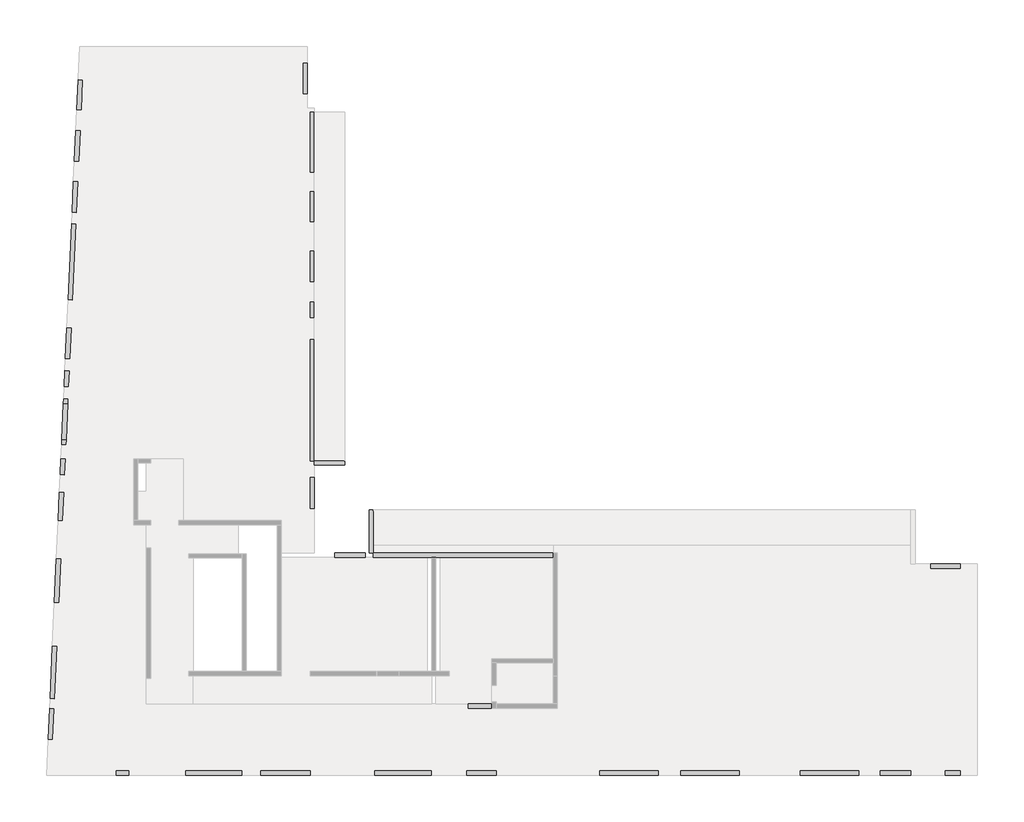
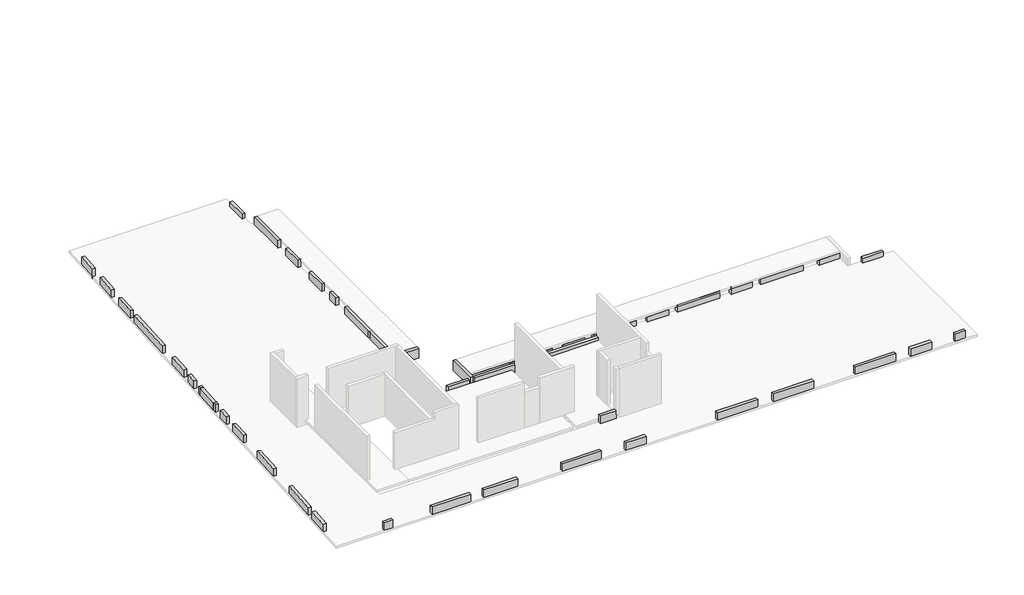
# One storey, part 2 of 3: 44 beams.
"""IFC4 building model written with IfcOpenShell, lengths in millimetres."""

from ifc_helpers import new_model, si_unit, frame, origin, place, context, project, spatial, polyline, outline, extrude, faceted_brep, element, save

model = new_model("IFC4")

# Units and contexts
model_context = context("Model", 3, world=origin())
ifc_project = project(units=[si_unit("LENGTHUNIT", "METRE", prefix="MILLI")], contexts=[model_context])

# Site, building, storey
site = spatial("IfcSite", under=ifc_project)
building = spatial("IfcBuilding", under=site)
storey = spatial("IfcBuildingStorey", under=building, Elevation=22410.0)

# Beams
placement = place(None, origin())
element("IfcBeam", 1, ObjectType="VI 20/70", at=placement, inside=storey, context=model_context, shape_type="Brep", body=[
    faceted_brep([(-26295.6912908, -3999.0672499, 22960.0), (-26295.6912908, -3999.0672499, 22810.0), (-26295.6912908, -3999.0672499, 22260.0), (-26495.6912908, -3999.0672499, 22260.0), (-26495.6912908, -3999.0672499, 22960.0), (-26295.6912908, -6004.0672499, 22960.0), (-26495.6912908, -6004.0672499, 22960.0), (-26495.6912908, -6004.0672499, 22260.0), (-26295.6912908, -6004.0672499, 22260.0), (-26295.6912908, -6004.0672499, 22460.0), (-26295.6912908, -5619.0672499, 22260.0), (-26295.6912908, -5419.0672499, 22260.0)], [[[0, 1, 2, 3, 4]], [[5, 6, 7, 8, 9]], [[2, 1, 0, 5, 9, 8, 10, 11]], [[3, 2, 11, 10, 8, 7]], [[4, 3, 7, 6]], [[0, 4, 6, 5]]]),
])
element("IfcBeam", 2, ObjectType="VI 20/70", at=placement, inside=storey, context=model_context, shape_type="Brep", body=[
    faceted_brep([(-27635.6912908, -1689.5482142, 22260.0), (-27635.6912908, -1689.5482142, 22810.0), (-27635.6912908, -1689.5482142, 22960.0), (-27635.6912908, -1889.5482142, 22960.0), (-27635.6912908, -1889.5482142, 22260.0), (-29065.6912908, -1889.5482142, 22960.0), (-29065.6912908, -1689.5482142, 22960.0), (-29065.6912908, -1689.5482142, 22945.0), (-29065.6912908, -1689.5482142, 22795.0), (-29065.6912908, -1689.5482142, 22410.0), (-29065.6912908, -1689.5482142, 22260.0), (-29065.6912908, -1889.5482142, 22260.0), (-29065.6912908, -1889.5482142, 22410.0)], [[[0, 1, 2, 3, 4]], [[5, 6, 7, 8, 9, 10, 11, 12]], [[2, 1, 0, 10, 9, 8, 7, 6]], [[0, 4, 11, 10]], [[4, 3, 5, 12, 11]], [[3, 2, 6, 5]]]),
])
element("IfcBeam", 3, ObjectType="VI 20/70", at=placement, inside=storey, context=model_context, shape_type="SweptSolid", body=[
    extrude(outline(polyline([(-41467.4470985, -13297.689544), (-41267.6525789, -13306.7532049), (-41332.9109371, -14745.2737458), (-41532.7054566, -14736.2100849), (-41467.4470985, -13297.689544)])), frame((0.0, 0.0, 22410.0), z_axis=(0.0, 0.0, 1.0), x_axis=(1.0, 0.0, 0.0)), (0.0, 0.0, 1.0), 550.0),
])
element("IfcBeam", 4, ObjectType="VI 20/70", at=placement, inside=storey, context=model_context, shape_type="SweptSolid", body=[
    extrude(outline(polyline([(-41246.1263843, -12832.2412209), (-41445.9209039, -12823.17756), (-41334.8458454, -10374.6980441), (-41135.0513258, -10383.7617049), (-41246.1263843, -12832.2412209)])), frame((0.0, 0.0, 22410.0), z_axis=(0.0, 0.0, 1.0), x_axis=(1.0, 0.0, 0.0)), (0.0, 0.0, 1.0), 550.0),
])
element("IfcBeam", 5, ObjectType="VI 20/70", at=placement, inside=storey, context=model_context, shape_type="SweptSolid", body=[
    extrude(outline(polyline([(-41149.2673893, -6283.9052558), (-40949.4728698, -6292.9689167), (-41041.9222105, -8330.8730163), (-41241.7167301, -8321.8093555), (-41149.2673893, -6283.9052558)])), frame((0.0, 0.0, 22410.0), z_axis=(0.0, 0.0, 1.0), x_axis=(1.0, 0.0, 0.0)), (0.0, 0.0, 1.0), 550.0),
])
element("IfcBeam", 6, ObjectType="VI 20/70", at=placement, inside=storey, context=model_context, shape_type="SweptSolid", body=[
    extrude(outline(polyline([(-41007.6476884, -3162.1158875), (-40807.8531689, -3171.1795483), (-40867.446739, -4484.8285145), (-41067.2412586, -4475.7648537), (-41007.6476884, -3162.1158875)])), frame((0.0, 0.0, 22410.0), z_axis=(0.0, 0.0, 1.0), x_axis=(1.0, 0.0, 0.0)), (0.0, 0.0, 1.0), 550.0),
])
element("IfcBeam", 7, ObjectType="VI 20/70", at=placement, inside=storey, context=model_context, shape_type="SweptSolid", body=[
    extrude(outline(polyline([(-40770.2389763, -2342.0322921), (-40970.0334959, -2332.9686312), (-40936.4979507, -1593.7289088), (-40736.7034311, -1602.7925697), (-40770.2389763, -2342.0322921)])), frame((0.0, 0.0, 22410.0), z_axis=(0.0, 0.0, 1.0), x_axis=(1.0, 0.0, 0.0)), (0.0, 0.0, 1.0), 550.0),
    extrude(outline(polyline([(-40896.5921767, -714.0672499), (-40696.3864849, -714.0672499), (-40705.4594674, -914.0672499), (-40905.6651591, -914.0672499), (-40896.5921767, -714.0672499)])), frame((0.0, 0.0, 22410.0), z_axis=(0.0, 0.0, 1.0), x_axis=(1.0, 0.0, 0.0)), (0.0, 0.0, 1.0), 550.0),
])
element("IfcBeam", 8, ObjectType="VI 20/70", at=placement, inside=storey, context=model_context, shape_type="SweptSolid", body=[
    extrude(outline(polyline([(-40895.4580539, -689.0672499), (-40819.9254749, 975.9327501), (-40619.7197831, 975.9327501), (-40695.2523621, -689.0672499), (-40895.4580539, -689.0672499)])), frame((0.0, 0.0, 22410.0), z_axis=(0.0, 0.0, 1.0), x_axis=(1.0, 0.0, 0.0)), (0.0, 0.0, 1.0), 550.0),
])
element("IfcBeam", 9, ObjectType="VI 20/70", at=placement, inside=storey, context=model_context, shape_type="SweptSolid", body=[
    extrude(outline(polyline([(-40748.9268523, 2540.9886267), (-40549.1323327, 2531.9249658), (-40582.6678779, 1792.6852434), (-40782.4623975, 1801.7489043), (-40748.9268523, 2540.9886267)])), frame((0.0, 0.0, 22410.0), z_axis=(0.0, 0.0, 1.0), x_axis=(1.0, 0.0, 0.0)), (0.0, 0.0, 1.0), 550.0),
    extrude(outline(polyline([(-40618.5856603, 1000.9327501), (-40818.7913521, 1000.9327501), (-40809.7183696, 1200.9327501), (-40609.5126779, 1200.9327501), (-40618.5856603, 1000.9327501)])), frame((0.0, 0.0, 22410.0), z_axis=(0.0, 0.0, 1.0), x_axis=(1.0, 0.0, 0.0)), (0.0, 0.0, 1.0), 550.0),
])
element("IfcBeam", 10, ObjectType="VI 20/70", at=placement, inside=storey, context=model_context, shape_type="SweptSolid", body=[
    extrude(outline(polyline([(-40658.0636522, 4543.9286854), (-40458.2691326, 4534.8650246), (-40523.5274908, 3096.3444836), (-40723.3220104, 3105.4081445), (-40658.0636522, 4543.9286854)])), frame((0.0, 0.0, 22410.0), z_axis=(0.0, 0.0, 1.0), x_axis=(1.0, 0.0, 0.0)), (0.0, 0.0, 1.0), 550.0),
])
element("IfcBeam", 11, ObjectType="VI 20/70", at=placement, inside=storey, context=model_context, shape_type="SweptSolid", body=[
    extrude(outline(polyline([(-40436.6837357, 9423.909826), (-40236.8892162, 9414.8461652), (-40398.2223794, 5858.5037168), (-40598.016899, 5867.5673776), (-40436.6837357, 9423.909826)])), frame((0.0, 0.0, 22410.0), z_axis=(0.0, 0.0, 1.0), x_axis=(1.0, 0.0, 0.0)), (0.0, 0.0, 1.0), 550.0),
])
element("IfcBeam", 12, ObjectType="VI 20/70", at=placement, inside=storey, context=model_context, shape_type="SweptSolid", body=[
    extrude(outline(polyline([(-40347.1800848, 11396.8807068), (-40147.3855652, 11387.817046), (-40212.6439234, 9949.296505), (-40412.4384429, 9958.3601659), (-40347.1800848, 11396.8807068)])), frame((0.0, 0.0, 22410.0), z_axis=(0.0, 0.0, 1.0), x_axis=(1.0, 0.0, 0.0)), (0.0, 0.0, 1.0), 550.0),
])
element("IfcBeam", 13, ObjectType="VI 20/70", at=placement, inside=storey, context=model_context, shape_type="SweptSolid", body=[
    extrude(outline(polyline([(-40238.4161545, 13794.4149417), (-40038.6216349, 13785.3512809), (-40103.8799931, 12346.8307399), (-40303.6745126, 12355.8944008), (-40238.4161545, 13794.4149417)])), frame((0.0, 0.0, 22410.0), z_axis=(0.0, 0.0, 1.0), x_axis=(1.0, 0.0, 0.0)), (0.0, 0.0, 1.0), 550.0),
])
element("IfcBeam", 14, ObjectType="VI 20/70", at=placement, inside=storey, context=model_context, shape_type="SweptSolid", body=[
    extrude(outline(polyline([(-40130.7851818, 16166.9748617), (-39930.9906622, 16157.9112008), (-39993.9831052, 14769.3392898), (-40193.7776247, 14778.4029506), (-40130.7851818, 16166.9748617)])), frame((0.0, 0.0, 22260.0), z_axis=(0.0, 0.0, 1.0), x_axis=(1.0, 0.0, 0.0)), (0.0, 0.0, 1.0), 700.0),
])
element("IfcBeam", 15, ObjectType="VI 20/70", at=placement, inside=storey, context=model_context, shape_type="SweptSolid", body=[
    extrude(outline(polyline([(-38350.6912908, -16419.0672499), (-38350.6912908, -16219.0672499), (-37760.6912908, -16219.0672499), (-37760.6912908, -16419.0672499), (-38350.6912908, -16419.0672499)])), frame((0.0, 0.0, 22410.0), z_axis=(0.0, 0.0, 1.0), x_axis=(1.0, 0.0, 0.0)), (0.0, 0.0, 1.0), 550.0),
])
element("IfcBeam", 16, ObjectType="VI 20/70", at=placement, inside=storey, context=model_context, shape_type="SweptSolid", body=[
    extrude(outline(polyline([(-32455.6912908, -16219.0672499), (-32455.6912908, -16419.0672499), (-35095.6912908, -16419.0672499), (-35095.6912908, -16219.0672499), (-32455.6912908, -16219.0672499)])), frame((0.0, 0.0, 22410.0), z_axis=(0.0, 0.0, 1.0), x_axis=(1.0, 0.0, 0.0)), (0.0, 0.0, 1.0), 550.0),
])
element("IfcBeam", 17, ObjectType="VI 20/70", at=placement, inside=storey, context=model_context, shape_type="SweptSolid", body=[
    extrude(outline(polyline([(-23600.6912908, -16219.0672499), (-23600.6912908, -16419.0672499), (-26230.6912908, -16419.0672499), (-26230.6912908, -16219.0672499), (-23600.6912908, -16219.0672499)])), frame((0.0, 0.0, 22410.0), z_axis=(0.0, 0.0, 1.0), x_axis=(1.0, 0.0, 0.0)), (0.0, 0.0, 1.0), 550.0),
])
element("IfcBeam", 18, ObjectType="VI 20/70", at=placement, inside=storey, context=model_context, shape_type="SweptSolid", body=[
    extrude(outline(polyline([(-20540.6912908, -16219.0672499), (-20540.6912908, -16419.0672499), (-21930.6912908, -16419.0672499), (-21930.6912908, -16219.0672499), (-20540.6912908, -16219.0672499)])), frame((0.0, 0.0, 22410.0), z_axis=(0.0, 0.0, 1.0), x_axis=(1.0, 0.0, 0.0)), (0.0, 0.0, 1.0), 550.0),
])
element("IfcBeam", 19, ObjectType="VI 20/70", at=placement, inside=storey, context=model_context, shape_type="SweptSolid", body=[
    extrude(outline(polyline([(-11895.6912908, -16419.0672499), (-11895.6912908, -16219.0672499), (-9155.6912908, -16219.0672499), (-9155.6912908, -16419.0672499), (-11895.6912908, -16419.0672499)])), frame((0.0, 0.0, 22410.0), z_axis=(0.0, 0.0, 1.0), x_axis=(1.0, 0.0, 0.0)), (0.0, 0.0, 1.0), 550.0),
])
element("IfcBeam", 20, ObjectType="VI 20/70", at=placement, inside=storey, context=model_context, shape_type="Brep", body=[
    faceted_brep([(-20750.6912908, -13079.0672499, 22960.0), (-20750.6912908, -13279.0672499, 22960.0), (-20750.6912908, -13279.0672499, 22710.0), (-20750.6912908, -13279.0672499, 22410.0), (-20750.6912908, -13079.0672499, 22410.0), (-20750.6912908, -13079.0672499, 22559.9925002), (-20750.6912908, -13079.0672499, 22710.0), (-21850.6912908, -13279.0672499, 22960.0), (-21850.6912908, -13079.0672499, 22960.0), (-21850.6912908, -13079.0672499, 22410.0), (-21850.6912908, -13279.0672499, 22410.0), (-20790.6912908, -13279.0672499, 22410.0), (-20790.6912908, -13079.0672499, 22410.0)], [[[0, 1, 2, 3, 4, 5, 6]], [[7, 8, 9, 10]], [[1, 7, 10, 11, 3, 2]], [[8, 0, 6, 5, 4, 12, 9]], [[1, 0, 8, 7]], [[4, 3, 11, 10, 9, 12]]]),
])
element("IfcBeam", 21, ObjectType="VI. 20/49", at=placement, inside=storey, context=model_context, shape_type="SweptSolid", body=[
    extrude(outline(polyline([(-29595.6912908, 16950.9327501), (-29395.6912908, 16950.9327501), (-29395.6912908, 15510.9327501), (-29595.6912908, 15510.9327501), (-29595.6912908, 16950.9327501)])), frame((0.0, 0.0, 22410.0), z_axis=(0.0, 0.0, 1.0), x_axis=(1.0, 0.0, 0.0)), (0.0, 0.0, 1.0), 340.0),
])
element("IfcBeam", 22, ObjectType="VI. 20/49", at=placement, inside=storey, context=model_context, shape_type="SweptSolid", body=[
    extrude(outline(polyline([(1189.3087092, -6519.0672499), (1189.3087092, -6719.0672499), (-200.6912908, -6719.0672499), (-200.6912908, -6519.0672499), (1189.3087092, -6519.0672499)])), frame((0.0, 0.0, 22410.0), z_axis=(0.0, 0.0, 1.0), x_axis=(1.0, 0.0, 0.0)), (0.0, 0.0, 1.0), 340.0),
])
element("IfcBeam", 23, ObjectType="VI. 20/68.5", at=placement, inside=storey, context=model_context, shape_type="Brep", body=[
    faceted_brep([(-3615.6912908, -5619.0672499, 22410.0), (-3615.6912908, -5419.0672499, 22410.0), (-3615.6912908, -5419.0672499, 22796.8518519), (-3615.6912908, -5619.0672499, 22795.0), (-6505.6912908, -5419.0672499, 22410.0), (-6505.6912908, -5619.0672499, 22410.0), (-6505.6912908, -5619.0672499, 22795.0), (-6505.6912908, -5419.0672499, 22796.8518519), (-6305.6912908, -5419.0672499, 22410.0)], [[[0, 1, 2, 3]], [[4, 5, 6, 7]], [[5, 0, 3, 6]], [[1, 8, 4, 7, 2]], [[3, 2, 7, 6]], [[1, 0, 5, 4, 8]]]),
])
element("IfcBeam", 24, ObjectType="VI. 20/68.5", at=placement, inside=storey, context=model_context, shape_type="SweptSolid", body=[
    extrude(outline(polyline([(-5419.0672499, 22410.0), (-5619.0672499, 22410.0), (-5619.0672499, 22795.0), (-5419.0672499, 22796.8518519), (-5419.0672499, 22410.0)])), frame((-2545.6912908, 0.0, 0.0), z_axis=(1.0, 0.0, 0.0), x_axis=(0.0, 1.0, 0.0)), (0.0, 0.0, 1.0), 1420.0),
])
element("IfcBeam", 25, ObjectType="VI. 20/68.5", at=placement, inside=storey, context=model_context, shape_type="SweptSolid", body=[
    extrude(outline(polyline([(-7085.6912908, -5419.0672499), (-7085.6912908, -5619.0672499), (-8525.6912908, -5619.0672499), (-8525.6912908, -5419.0672499), (-7085.6912908, -5419.0672499)])), frame((0.0, 0.0, 22410.0), z_axis=(0.0, 0.0, 1.0), x_axis=(1.0, 0.0, 0.0)), (0.0, 0.0, 1.0), 535.0),
])
element("IfcBeam", 26, ObjectType="VI. 20/68.5", at=placement, inside=storey, context=model_context, shape_type="Brep", body=[
    faceted_brep([(-12195.6912908, -5619.0672499, 22945.0), (-12195.6912908, -5419.0672499, 22945.0), (-12195.6912908, -5419.0672499, 22410.0), (-12195.6912908, -5619.0672499, 22410.0), (-9305.6912908, -5619.0672499, 22410.0), (-9305.6912908, -5619.0672499, 22945.0), (-9305.6912908, -5419.0672499, 22945.0), (-9305.6912908, -5419.0672499, 22410.0), (-11995.6912908, -5419.0672499, 22410.0)], [[[0, 1, 2, 3]], [[0, 3, 4, 5]], [[2, 1, 6, 7, 8]], [[1, 0, 5, 6]], [[5, 4, 7, 6]], [[3, 2, 8, 7, 4]]]),
])
element("IfcBeam", 27, ObjectType="VI. 20/68.5", at=placement, inside=storey, context=model_context, shape_type="SweptSolid", body=[
    extrude(outline(polyline([(-5419.0672499, 22410.0), (-5619.0672499, 22410.0), (-5619.0672499, 22795.0), (-5419.0672499, 22796.8518519), (-5419.0672499, 22410.0)])), frame((-14215.6912908, 0.0, 0.0), z_axis=(1.0, 0.0, 0.0), x_axis=(0.0, 1.0, 0.0)), (0.0, 0.0, 1.0), 1440.0),
])
element("IfcBeam", 28, ObjectType="VI. 20/68.5", at=placement, inside=storey, context=model_context, shape_type="Brep", body=[
    faceted_brep([(-14995.6912908, -5619.0672499, 22410.0), (-14995.6912908, -5419.0672499, 22410.0), (-14995.6912908, -5419.0672499, 22796.8518519), (-14995.6912908, -5619.0672499, 22795.0), (-17885.6912908, -5419.0672499, 22410.0), (-17885.6912908, -5619.0672499, 22410.0), (-17885.6912908, -5619.0672499, 22795.0), (-17885.6912908, -5419.0672499, 22796.8518519), (-17685.6912908, -5419.0672499, 22410.0)], [[[0, 1, 2, 3]], [[4, 5, 6, 7]], [[5, 0, 3, 6]], [[1, 8, 4, 7, 2]], [[3, 2, 7, 6]], [[1, 0, 5, 4, 8]]]),
])
element("IfcBeam", 29, ObjectType="VI. 20/68.5", at=placement, inside=storey, context=model_context, shape_type="SweptSolid", body=[
    extrude(outline(polyline([(-5419.0672499, 22260.0), (-5619.0672499, 22260.0), (-5619.0672499, 22795.0), (-5419.0672499, 22796.8518519), (-5419.0672499, 22260.0)])), frame((-19905.6912908, 0.0, 0.0), z_axis=(1.0, 0.0, 0.0), x_axis=(0.0, 1.0, 0.0)), (0.0, 0.0, 1.0), 1440.0),
])
element("IfcBeam", 30, ObjectType="VI. 20/68.5", at=placement, inside=storey, context=model_context, shape_type="Brep", body=[
    faceted_brep([(-20685.6912908, -5619.0672499, 22260.0), (-20685.6912908, -5419.0672499, 22260.0), (-20685.6912908, -5419.0672499, 22796.8518519), (-20685.6912908, -5619.0672499, 22795.0), (-23375.6912908, -5419.0672499, 22260.0), (-23375.6912908, -5619.0672499, 22260.0), (-23375.6912908, -5619.0672499, 22460.0), (-23375.6912908, -5619.0672499, 22795.0), (-23375.6912908, -5419.0672499, 22796.8518519)], [[[0, 1, 2, 3]], [[4, 5, 6, 7, 8]], [[5, 0, 3, 7, 6]], [[1, 0, 5, 4]], [[1, 4, 8, 2]], [[3, 2, 8, 7]]]),
])
element("IfcBeam", 31, ObjectType="VI. 20/68.5", at=placement, inside=storey, context=model_context, shape_type="Brep", body=[
    faceted_brep([(-26295.6912908, -5419.0672499, 22260.0), (-26295.6912908, -5619.0672499, 22260.0), (-26295.6912908, -5619.0672499, 22460.0), (-26295.6912908, -5619.0672499, 22795.0), (-26295.6912908, -5419.0672499, 22796.8518519), (-23575.6912908, -5619.0672499, 22260.0), (-23575.6912908, -5619.0672499, 22460.0), (-23575.6912908, -5619.0672499, 22795.0), (-23575.6912908, -5419.0672499, 22260.0), (-23575.6912908, -5419.0672499, 22796.8518519)], [[[0, 1, 2, 3, 4]], [[1, 5, 6, 7, 3, 2]], [[1, 0, 8, 5]], [[8, 0, 4, 9]], [[5, 8, 9, 7, 6]], [[4, 3, 7, 9]]]),
])
element("IfcBeam", 32, ObjectType="VI. 20/68.5", at=placement, inside=storey, context=model_context, shape_type="Brep", body=[
    faceted_brep([(-29265.6912908, 4000.9327501, 22945.0), (-29065.6912908, 4000.9327501, 22945.0), (-29065.6912908, 4000.9327501, 22410.0), (-29265.6912908, 4000.9327501, 22410.0), (-29065.6912908, -1689.5482142, 22945.0), (-29265.6912908, -1689.5482142, 22945.0), (-29265.6912908, -1689.5482142, 22410.0), (-29065.6912908, -1689.5482142, 22410.0), (-29065.6912908, -1689.5482142, 22795.0), (-29065.6912908, 1200.9327501, 22945.0), (-29065.6912908, 1200.9327501, 22410.0), (-29265.6912908, 1200.9327501, 22410.0), (-29265.6912908, 1200.9327501, 22942.9020979), (-29265.6912908, 1000.9327501, 22942.9020979), (-29265.6912908, 1000.9327501, 22410.0), (-29065.6912908, 1000.9327501, 22945.0), (-29065.6912908, 1000.9327501, 22410.0)], [[[0, 1, 2, 3]], [[4, 5, 6, 7, 8]], [[2, 1, 9, 10]], [[5, 0, 3, 11, 12, 13, 14, 6]], [[1, 0, 5, 4, 15, 9]], [[13, 15, 16, 14]], [[9, 12, 11, 10]], [[15, 13, 12, 9]], [[4, 8, 7, 16, 15]], [[7, 6, 14, 16]], [[3, 2, 10, 11]]]),
])
element("IfcBeam", 33, ObjectType="VI. 20/68.5", at=placement, inside=storey, context=model_context, shape_type="SweptSolid", body=[
    extrude(outline(polyline([(-29265.6912908, 5760.9327501), (-29065.6912908, 5760.9327501), (-29065.6912908, 5020.9327501), (-29265.6912908, 5020.9327501), (-29265.6912908, 5760.9327501)])), frame((0.0, 0.0, 22410.0), z_axis=(0.0, 0.0, 1.0), x_axis=(1.0, 0.0, 0.0)), (0.0, 0.0, 1.0), 535.0),
])
element("IfcBeam", 34, ObjectType="VI. 20/68.5", at=placement, inside=storey, context=model_context, shape_type="SweptSolid", body=[
    extrude(outline(polyline([(-29265.6912908, 8150.9327501), (-29065.6912908, 8150.9327501), (-29065.6912908, 6710.9327501), (-29265.6912908, 6710.9327501), (-29265.6912908, 8150.9327501)])), frame((0.0, 0.0, 22410.0), z_axis=(0.0, 0.0, 1.0), x_axis=(1.0, 0.0, 0.0)), (0.0, 0.0, 1.0), 535.0),
])
element("IfcBeam", 35, ObjectType="VI. 20/68.5", at=placement, inside=storey, context=model_context, shape_type="SweptSolid", body=[
    extrude(outline(polyline([(-29265.6912908, 10925.9327501), (-29065.6912908, 10925.9327501), (-29065.6912908, 9535.9327501), (-29265.6912908, 9535.9327501), (-29265.6912908, 10925.9327501)])), frame((0.0, 0.0, 22410.0), z_axis=(0.0, 0.0, 1.0), x_axis=(1.0, 0.0, 0.0)), (0.0, 0.0, 1.0), 535.0),
])
element("IfcBeam", 36, ObjectType="VI. 20/68.5", at=placement, inside=storey, context=model_context, shape_type="Brep", body=[
    faceted_brep([(-29265.6912908, 14650.9327501, 22945.0), (-29065.6912908, 14650.9327501, 22945.0), (-29065.6912908, 14650.9327501, 22795.0), (-29065.6912908, 14650.9327501, 22410.0), (-29265.6912908, 14650.9327501, 22410.0), (-29065.6912908, 11850.9327501, 22945.0), (-29265.6912908, 11850.9327501, 22945.0), (-29265.6912908, 11850.9327501, 22410.0), (-29065.6912908, 11850.9327501, 22410.0)], [[[0, 1, 2, 3, 4]], [[5, 6, 7, 8]], [[1, 5, 8, 3, 2]], [[6, 0, 4, 7]], [[1, 0, 6, 5]], [[4, 3, 8, 7]]]),
])
element("IfcBeam", 37, ObjectType="VI. 20/70", at=placement, inside=storey, context=model_context, shape_type="SweptSolid", body=[
    extrude(outline(polyline([(-29065.6912908, -3909.0672499), (-29265.6912908, -3909.0672499), (-29265.6912908, -2469.0672499), (-29065.6912908, -2469.0672499), (-29065.6912908, -3909.0672499)])), frame((0.0, 0.0, 22410.0), z_axis=(0.0, 0.0, 1.0), x_axis=(1.0, 0.0, 0.0)), (0.0, 0.0, 1.0), 550.0),
])
element("IfcBeam", 38, ObjectType="VI. 20/70", at=placement, inside=storey, context=model_context, shape_type="SweptSolid", body=[
    extrude(outline(polyline([(-26675.6912908, -6004.0672499), (-26675.6912908, -6204.0672499), (-28115.6912908, -6204.0672499), (-28115.6912908, -6004.0672499), (-26675.6912908, -6004.0672499)])), frame((0.0, 0.0, 22260.0), z_axis=(0.0, 0.0, 1.0), x_axis=(1.0, 0.0, 0.0)), (0.0, 0.0, 1.0), 700.0),
])
element("IfcBeam", 39, ObjectType="VI. 20/70", at=placement, inside=storey, context=model_context, shape_type="SweptSolid", body=[
    extrude(outline(polyline([(-29265.6912908, -16219.0672499), (-29265.6912908, -16419.0672499), (-31585.6912908, -16419.0672499), (-31585.6912908, -16219.0672499), (-29265.6912908, -16219.0672499)])), frame((0.0, 0.0, 22410.0), z_axis=(0.0, 0.0, 1.0), x_axis=(1.0, 0.0, 0.0)), (0.0, 0.0, 1.0), 550.0),
])
element("IfcBeam", 40, ObjectType="VI. 20/70", at=placement, inside=storey, context=model_context, shape_type="SweptSolid", body=[
    extrude(outline(polyline([(-15705.6912908, -16419.0672499), (-15705.6912908, -16219.0672499), (-12965.6912908, -16219.0672499), (-12965.6912908, -16419.0672499), (-15705.6912908, -16419.0672499)])), frame((0.0, 0.0, 22410.0), z_axis=(0.0, 0.0, 1.0), x_axis=(1.0, 0.0, 0.0)), (0.0, 0.0, 1.0), 550.0),
])
element("IfcBeam", 41, ObjectType="VI. 20/70", at=placement, inside=storey, context=model_context, shape_type="SweptSolid", body=[
    extrude(outline(polyline([(489.3087092, -16419.0672499), (489.3087092, -16219.0672499), (1179.3087092, -16219.0672499), (1179.3087092, -16419.0672499), (489.3087092, -16419.0672499)])), frame((0.0, 0.0, 22410.0), z_axis=(0.0, 0.0, 1.0), x_axis=(1.0, 0.0, 0.0)), (0.0, 0.0, 1.0), 550.0),
])
element("IfcBeam", 42, ObjectType="VI. 20/70", at=placement, inside=storey, context=model_context, shape_type="SweptSolid", body=[
    extrude(outline(polyline([(-2555.6912908, -16419.0672499), (-2555.6912908, -16219.0672499), (-1125.6912908, -16219.0672499), (-1125.6912908, -16419.0672499), (-2555.6912908, -16419.0672499)])), frame((0.0, 0.0, 22410.0), z_axis=(0.0, 0.0, 1.0), x_axis=(1.0, 0.0, 0.0)), (0.0, 0.0, 1.0), 550.0),
])
element("IfcBeam", 43, ObjectType="VI. 20/70", at=placement, inside=storey, context=model_context, shape_type="SweptSolid", body=[
    extrude(outline(polyline([(-3570.6912908, -16219.0672499), (-3570.6912908, -16419.0672499), (-6305.6912908, -16419.0672499), (-6305.6912908, -16219.0672499), (-3570.6912908, -16219.0672499)])), frame((0.0, 0.0, 22410.0), z_axis=(0.0, 0.0, 1.0), x_axis=(1.0, 0.0, 0.0)), (0.0, 0.0, 1.0), 550.0),
])
element("IfcBeam", 44, ObjectType="VI. 20/70", at=placement, inside=storey, context=model_context, shape_type="Brep", body=[
    faceted_brep([(-17885.6912908, -6204.0672499, 22260.0), (-17885.6912908, -6004.0672499, 22260.0), (-17885.6912908, -6004.0672499, 22410.0), (-17885.6912908, -6004.0672499, 22460.0), (-17885.6912908, -6004.0672499, 22960.0), (-17885.6912908, -6204.0672499, 22960.0), (-17885.6912908, -6204.0672499, 22738.65), (-17885.6912908, -6204.0672499, 22588.6425002), (-17885.6912908, -6204.0672499, 22410.0), (-26295.6912908, -6204.0672499, 22960.0), (-26295.6912908, -6004.0672499, 22960.0), (-26295.6912908, -6004.0672499, 22460.0), (-26295.6912908, -6004.0672499, 22260.0), (-26295.6912908, -6204.0672499, 22260.0), (-23575.6912908, -6204.0672499, 22260.0), (-23575.6912908, -6204.0672499, 22410.0), (-23575.6912908, -6204.0672499, 22460.0), (-23375.6912908, -6204.0672499, 22460.0), (-23375.6912908, -6204.0672499, 22410.0), (-23375.6912908, -6204.0672499, 22260.0), (-23375.6912908, -6004.0672499, 22260.0), (-23375.6912908, -6004.0672499, 22460.0), (-23575.6912908, -6004.0672499, 22460.0), (-23575.6912908, -6004.0672499, 22260.0)], [[[0, 1, 2, 3, 4, 5, 6, 7, 8]], [[9, 10, 11, 12, 13]], [[9, 13, 14, 15, 16, 17, 18, 19, 0, 8, 7, 6, 5]], [[1, 0, 19, 20]], [[12, 11, 10, 4, 3, 2, 1, 20, 21, 22, 23]], [[5, 4, 10, 9]], [[22, 16, 15, 14, 23]], [[17, 21, 20, 19, 18]], [[13, 12, 23, 14]], [[16, 22, 21, 17]]]),
])

save(model, "model.ifc")
